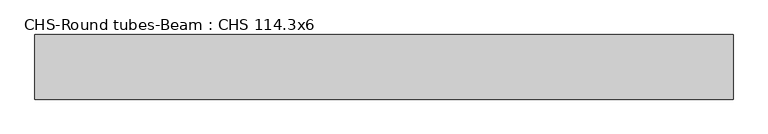
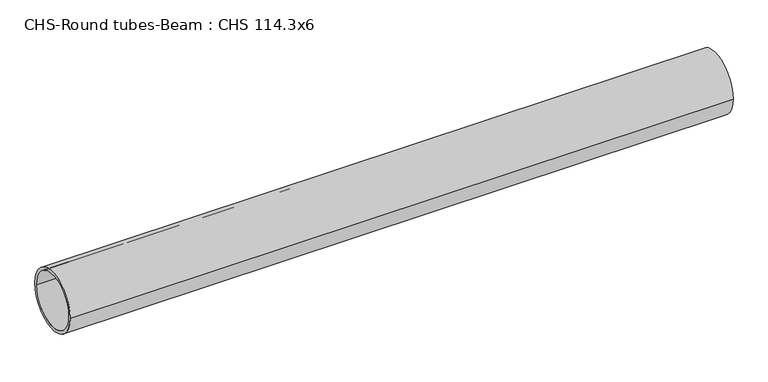
"""IFC4 building model written with IfcOpenShell, lengths in millimetres: beam geometry, CHS-Round tubes-Beam : CHS 114.3x6."""

from ifc_helpers import new_model, si_unit, point, frame, origin, origin_2d, place, context, project, spatial, circle_curve, trimmed, segment, composite_curve, outline, extrude, source, transform, mapped, element, save


def chs_round_tubes_beam_chs_114_3x6_147f87ef(model_context):
    return source(origin(), model_context, "Body", "SweptSolid", [
        extrude(outline(composite_curve([segment(trimmed(circle_curve(origin_2d(), 57.15), [point((57.15, 0.0))], [point((-57.15, 0.0))], False, "CARTESIAN"), True, "CONTINUOUS"), segment(trimmed(circle_curve(origin_2d(), 57.15), [point((-57.15, 0.0))], [point((57.15, 0.0))], False, "CARTESIAN"), True, "CONTINUOUS")], self_intersect=False), holes=[composite_curve([segment(trimmed(circle_curve(origin_2d(), 51.15), [point((51.15, 0.0))], [point((-51.15, 0.0))], True, "CARTESIAN"), True, "CONTINUOUS"), segment(trimmed(circle_curve(origin_2d(), 51.15), [point((-51.15, 0.0))], [point((51.15, 0.0))], True, "CARTESIAN"), True, "CONTINUOUS")], self_intersect=False)]), frame((-613.9543609, 0.0, 0.0), z_axis=(1.0, 0.0, 0.0), x_axis=(0.0, 1.0, 0.0)), (0.0, 0.0, 1.0), 1235.5088429),
    ])


if __name__ == "__main__":
    model = new_model("IFC4")
    model_context = context("Model", 3, world=origin())
    ifc_project = project(units=[si_unit("LENGTHUNIT", "METRE", prefix="MILLI")], contexts=[model_context])
    site = spatial("IfcSite", under=ifc_project)
    building = spatial("IfcBuilding", under=site)
    placement = place(None, origin())
    chs_round_tubes_beam_chs_114_3x6_shape = chs_round_tubes_beam_chs_114_3x6_147f87ef(model_context)
    element("IfcBeam", 1, ObjectType="CHS-Round tubes-Beam : CHS 114.3x6", at=placement, inside=building, context=model_context, shape_type="MappedRepresentation", body=[
        mapped(chs_round_tubes_beam_chs_114_3x6_shape, transform((0.0, 0.0, 0.0), x_axis=(1.0, 0.0, 0.0), y_axis=(0.0, 1.0, 0.0), z_axis=(0.0, 0.0, 1.0))),
    ])
    save(model, "model.ifc")
